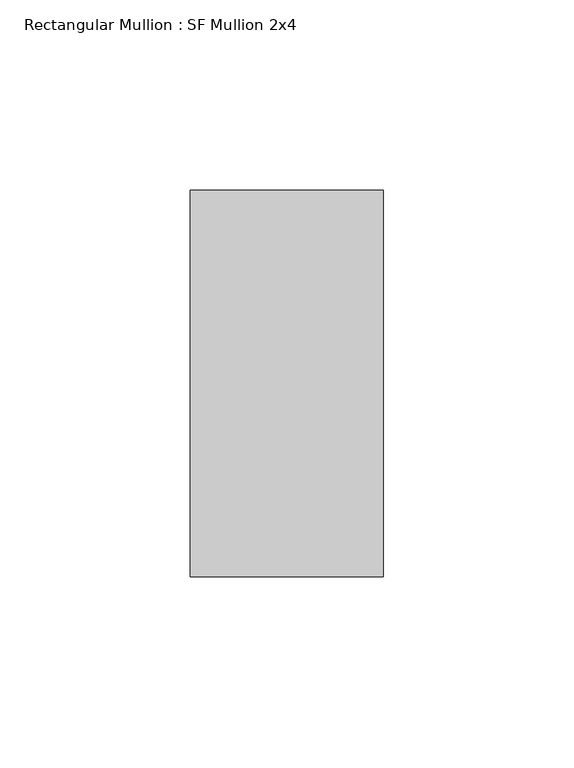
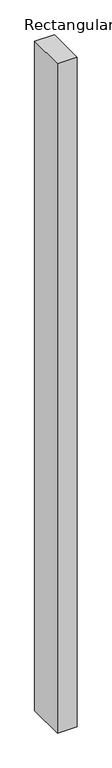
"""IFC4 building model written with IfcOpenShell, lengths in millimetres: member geometry, Rectangular Mullion : SF Mullion 2x4."""

from ifc_helpers import new_model, si_unit, frame, origin, place, context, project, spatial, polyline, outline, extrude, source, transform, mapped, element, save


def rectangular_mullion_sf_mullion_2x4_8cf29ccd(model_context):
    return source(origin(), model_context, "Body", "SweptSolid", [
        extrude(outline(polyline([(0.0, 50.8), (0.0, -50.8), (-50.8, -50.8), (-50.8, 50.8), (0.0, 50.8)])), frame((0.0, 0.0, -1828.8), z_axis=(0.0, 0.0, 1.0), x_axis=(1.0, 0.0, 0.0)), (0.0, 0.0, 1.0), 1828.8),
    ])


if __name__ == "__main__":
    model = new_model("IFC4")
    model_context = context("Model", 3, world=origin())
    ifc_project = project(units=[si_unit("LENGTHUNIT", "METRE", prefix="MILLI")], contexts=[model_context])
    site = spatial("IfcSite", under=ifc_project)
    building = spatial("IfcBuilding", under=site)
    placement = place(None, origin())
    rectangular_mullion_sf_mullion_2x4_shape = rectangular_mullion_sf_mullion_2x4_8cf29ccd(model_context)
    element("IfcMember", 1, ObjectType="Rectangular Mullion : SF Mullion 2x4", at=placement, inside=building, context=model_context, shape_type="MappedRepresentation", body=[
        mapped(rectangular_mullion_sf_mullion_2x4_shape, transform((0.0, 0.0, 0.0), x_axis=(1.0, 0.0, 0.0), y_axis=(0.0, 1.0, 0.0), z_axis=(0.0, 0.0, 1.0))),
    ])
    save(model, "model.ifc")
